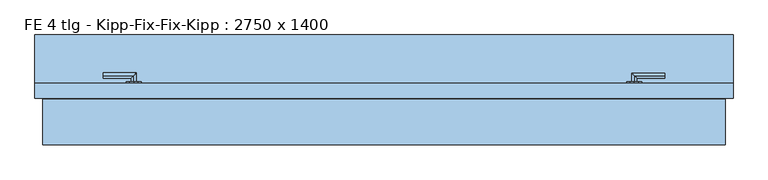
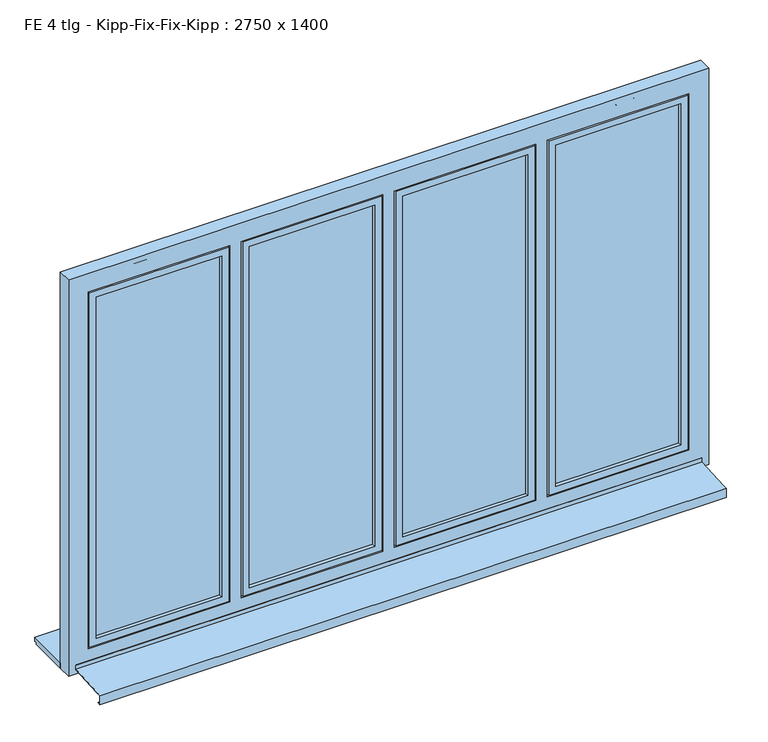
"""IFC4 building model written with IfcOpenShell, lengths in millimetres: window geometry, FE 4 tlg - Kipp-Fix-Fix-Kipp : 2750 x 1400."""

from ifc_helpers import new_model, si_unit, frame, origin, place, context, project, spatial, polyline, circle_curve, ellipse_curve, outline, extrude, faceted_brep, source, transform, mapped, element, save
from ifc_brep_helpers import plane_surface, cylinder_surface, advanced_brep


def fe_4_tlg_kipp_fix_fix_kipp_2750_x_1400_1be2bcf4(model_context):
    return source(origin(), model_context, "Body", "SolidModel", [
        faceted_brep([(597.5, -65.0, 2530.0), (597.5, -65.0, 980.0), (597.5, -125.0, 980.0), (597.5, -125.0, 2530.0), (627.5, -125.0, 950.0), (627.5, -125.0, 2560.0), (30.0, -125.0, 2560.0), (30.0, -125.0, 950.0), (60.0, -125.0, 980.0), (60.0, -125.0, 2530.0), (60.0, -65.0, 980.0), (667.5, -65.0, 2600.0), (667.5, -65.0, 910.0), (-10.0, -65.0, 910.0), (-10.0, -65.0, 2600.0), (60.0, -65.0, 2530.0), (667.5, -80.0, 2600.0), (667.5, -80.0, 910.0), (-10.0, -80.0, 910.0), (-10.0, -80.0, 2600.0), (652.5, -80.0, 2585.0), (652.5, -80.0, 925.0), (5.0, -80.0, 925.0), (5.0, -80.0, 2585.0), (652.5, -95.0, 2585.0), (652.5, -95.0, 925.0), (5.0, -95.0, 925.0), (5.0, -95.0, 2585.0), (642.5, -95.0, 2575.0), (642.5, -95.0, 935.0), (15.0, -95.0, 935.0), (15.0, -95.0, 2575.0), (642.5, -110.0, 2575.0), (642.5, -110.0, 935.0), (15.0, -110.0, 935.0), (15.0, -110.0, 2575.0), (627.5, -110.0, 2560.0), (627.5, -110.0, 950.0), (30.0, -110.0, 950.0), (30.0, -110.0, 2560.0)], [[[0, 1, 2, 3]], [[4, 5, 6, 7], [3, 2, 8, 9]], [[1, 10, 8, 2]], [[11, 12, 13, 14], [1, 0, 15, 10]], [[16, 17, 12, 11]], [[17, 18, 13, 12]], [[17, 16, 19, 18], [20, 21, 22, 23]], [[24, 25, 21, 20]], [[25, 26, 22, 21]], [[25, 24, 27, 26], [28, 29, 30, 31]], [[32, 33, 29, 28]], [[33, 34, 30, 29]], [[33, 32, 35, 34], [36, 37, 38, 39]], [[5, 4, 37, 36]], [[4, 7, 38, 37]], [[10, 15, 9, 8]], [[18, 19, 14, 13]], [[26, 27, 23, 22]], [[34, 35, 31, 30]], [[7, 6, 39, 38]], [[15, 0, 3, 9]], [[19, 16, 11, 14]], [[27, 24, 20, 23]], [[35, 32, 28, 31]], [[6, 5, 36, 39]]]),
        extrude(outline(polyline([(597.5, -110.0), (60.0, -110.0), (60.0, -66.0), (597.5, -66.0), (597.5, -110.0)])), frame((0.0, 0.0, 980.0), z_axis=(0.0, 0.0, 1.0), x_axis=(1.0, 0.0, 0.0)), (0.0, 0.0, 1.0), 1550.0),
        advanced_brep(
        [(968.75, -65.0, 2577.5), (968.75, -65.0, 2552.5), (986.25, -65.0, 2552.5), (1003.75, -65.0, 2552.5), (1003.75, -65.0, 2577.5), (986.25, -65.0, 2577.5), (986.25, -35.0, 2555.0), (986.25, -59.0, 2555.0), (986.25, -59.0, 2575.0), (986.25, -35.0, 2575.0), (1106.25, -35.0, 2555.0), (1106.25, -35.0, 2575.0), (968.75, -59.0, 2577.5), (986.25, -59.0, 2577.5), (1003.75, -59.0, 2577.5), (1003.75, -59.0, 2552.5), (986.25, -59.0, 2552.5), (968.75, -59.0, 2552.5)],
        [
            (0, 1, circle_curve(frame((968.75, -65.0, 2565.0), z_axis=(0.0, -1.0, 0.0), x_axis=(0.0, 0.0, 1.0)), 12.5)),
            (1, 2),
            (2, 3),
            (3, 4, circle_curve(frame((1003.75, -65.0, 2565.0), z_axis=(0.0, -1.0, 0.0), x_axis=(0.0, 0.0, 1.0)), 12.5)),
            (4, 5),
            (5, 0),
            (6, 7),
            (7, 8, circle_curve(frame((986.25, -59.0, 2565.0), z_axis=(0.0, 1.0, 0.0), x_axis=(0.0, 0.0, 1.0)), 10.0)),
            (8, 9),
            (9, 6, ellipse_curve(frame((986.25, -35.0, 2565.0), z_axis=(-0.7071067811865475, -0.7071067811865475, 0.0), x_axis=(0.7071067811865474, -0.7071067811865476, 0.0)), 14.1421356, 10.0)),
            (8, 7, circle_curve(frame((986.25, -59.0, 2565.0), z_axis=(0.0, 1.0, 0.0), x_axis=(0.0, 0.0, 1.0)), 10.0)),
            (6, 9, ellipse_curve(frame((986.25, -35.0, 2565.0), z_axis=(-0.7071067811865475, -0.7071067811865475, 0.0), x_axis=(0.7071067811865474, -0.7071067811865476, 0.0)), 14.1421356, 10.0)),
            (10, 11, circle_curve(frame((1106.25, -35.0, 2565.0), z_axis=(1.0, 0.0, 0.0), x_axis=(0.0, 0.0, 1.0)), 10.0)),
            (11, 10, circle_curve(frame((1106.25, -35.0, 2565.0), z_axis=(1.0, 0.0, 0.0), x_axis=(0.0, 0.0, 1.0)), 10.0)),
            (9, 11),
            (10, 6),
            (12, 13),
            (13, 14),
            (14, 15, circle_curve(frame((1003.75, -59.0, 2565.0), z_axis=(0.0, 1.0, 0.0), x_axis=(0.0, 0.0, 1.0)), 12.5)),
            (15, 16),
            (16, 17),
            (17, 12, circle_curve(frame((968.75, -59.0, 2565.0), z_axis=(0.0, 1.0, 0.0), x_axis=(0.0, 0.0, 1.0)), 12.5)),
            (17, 1),
            (0, 12),
            (16, 2),
            (15, 3),
            (14, 4),
            (13, 5),
        ],
        [
            plane_surface(frame((986.25, -65.0, 2565.0), z_axis=(0.0, -1.0, 0.0), x_axis=(0.0, 0.0, 1.0))),
            cylinder_surface(frame((986.25, -65.0, 2565.0), z_axis=(0.0, -1.0, 0.0), x_axis=(0.0, 0.0, 1.0)), 10.0),
            plane_surface(frame((1106.25, -35.0, 2565.0), z_axis=(1.0, 0.0, 0.0), x_axis=(0.0, 0.0, 1.0))),
            cylinder_surface(frame((986.25, -35.0, 2565.0), z_axis=(-1.0, 0.0, 0.0), x_axis=(0.0, 0.0, 1.0)), 10.0),
            plane_surface(frame((968.75, -59.0, 2577.5), z_axis=(0.0, 1.0, 0.0), x_axis=(-1.0, 0.0, 0.0))),
            cylinder_surface(frame((968.75, -65.0, 2565.0), z_axis=(0.0, 1.0, 0.0), x_axis=(0.0, 0.0, 1.0)), 12.5),
            plane_surface(frame((968.75, -59.0, 2552.5), z_axis=(0.0, 0.0, -1.0), x_axis=(0.0, -1.0, 0.0))),
            plane_surface(frame((986.25, -59.0, 2552.5), z_axis=(0.0, 0.0, -1.0), x_axis=(0.0, -1.0, 0.0))),
            cylinder_surface(frame((1003.75, -65.0, 2565.0), z_axis=(0.0, 1.0, 0.0), x_axis=(0.0, 0.0, 1.0)), 12.5),
            plane_surface(frame((1003.75, -59.0, 2577.5), z_axis=(0.0, 0.0, 1.0), x_axis=(0.0, -1.0, 0.0))),
            plane_surface(frame((986.25, -59.0, 2577.5), z_axis=(0.0, 0.0, 1.0), x_axis=(0.0, -1.0, 0.0))),
        ],
        [
            (0, [[1, 2, 3, 4, 5, 6]]),
            (1, [[7, 8, 9, 10]]),
            (1, [[-9, 11, -7, 12]]),
            (2, [[13, 14]]),
            (3, [[15, -13, 16, -10]]),
            (3, [[-16, -14, -15, -12]]),
            (4, [[17, 18, 19, 20, 21, 22], [-11, -8]]),
            (5, [[23, -1, 24, -22]]),
            (6, [[25, -2, -23, -21]]),
            (7, [[26, -3, -25, -20]]),
            (8, [[27, -4, -26, -19]]),
            (9, [[28, -5, -27, -18]]),
            (10, [[-24, -6, -28, -17]]),
        ],
    ),
        faceted_brep([(1255.0, -65.0, 2530.0), (1255.0, -65.0, 980.0), (1255.0, -125.0, 980.0), (1255.0, -125.0, 2530.0), (1285.0, -125.0, 950.0), (1285.0, -125.0, 2560.0), (687.5, -125.0, 2560.0), (687.5, -125.0, 950.0), (717.5, -125.0, 980.0), (717.5, -125.0, 2530.0), (717.5, -65.0, 980.0), (1325.0, -65.0, 2600.0), (1325.0, -65.0, 910.0), (647.5, -65.0, 910.0), (647.5, -65.0, 2600.0), (717.5, -65.0, 2530.0), (1325.0, -80.0, 2600.0), (1325.0, -80.0, 910.0), (647.5, -80.0, 910.0), (647.5, -80.0, 2600.0), (1310.0, -80.0, 2585.0), (1310.0, -80.0, 925.0), (662.5, -80.0, 925.0), (662.5, -80.0, 2585.0), (1310.0, -95.0, 2585.0), (1310.0, -95.0, 925.0), (662.5, -95.0, 925.0), (662.5, -95.0, 2585.0), (1300.0, -95.0, 2575.0), (1300.0, -95.0, 935.0), (672.5, -95.0, 935.0), (672.5, -95.0, 2575.0), (1300.0, -110.0, 2575.0), (1300.0, -110.0, 935.0), (672.5, -110.0, 935.0), (672.5, -110.0, 2575.0), (1285.0, -110.0, 2560.0), (1285.0, -110.0, 950.0), (687.5, -110.0, 950.0), (687.5, -110.0, 2560.0)], [[[0, 1, 2, 3]], [[4, 5, 6, 7], [3, 2, 8, 9]], [[1, 10, 8, 2]], [[11, 12, 13, 14], [1, 0, 15, 10]], [[16, 17, 12, 11]], [[17, 18, 13, 12]], [[17, 16, 19, 18], [20, 21, 22, 23]], [[24, 25, 21, 20]], [[25, 26, 22, 21]], [[25, 24, 27, 26], [28, 29, 30, 31]], [[32, 33, 29, 28]], [[33, 34, 30, 29]], [[33, 32, 35, 34], [36, 37, 38, 39]], [[5, 4, 37, 36]], [[4, 7, 38, 37]], [[10, 15, 9, 8]], [[18, 19, 14, 13]], [[26, 27, 23, 22]], [[34, 35, 31, 30]], [[7, 6, 39, 38]], [[15, 0, 3, 9]], [[19, 16, 11, 14]], [[27, 24, 20, 23]], [[35, 32, 28, 31]], [[6, 5, 36, 39]]]),
        extrude(outline(polyline([(1255.0, -110.0), (717.5, -110.0), (717.5, -66.0), (1255.0, -66.0), (1255.0, -110.0)])), frame((0.0, 0.0, 980.0), z_axis=(0.0, 0.0, 1.0), x_axis=(1.0, 0.0, 0.0)), (0.0, 0.0, 1.0), 1550.0),
        faceted_brep([(-60.0, -65.0, 2530.0), (-60.0, -65.0, 980.0), (-60.0, -125.0, 980.0), (-60.0, -125.0, 2530.0), (-30.0, -125.0, 950.0), (-30.0, -125.0, 2560.0), (-627.5, -125.0, 2560.0), (-627.5, -125.0, 950.0), (-597.5, -125.0, 980.0), (-597.5, -125.0, 2530.0), (-597.5, -65.0, 980.0), (10.0, -65.0, 2600.0), (10.0, -65.0, 910.0), (-667.5, -65.0, 910.0), (-667.5, -65.0, 2600.0), (-597.5, -65.0, 2530.0), (10.0, -80.0, 2600.0), (10.0, -80.0, 910.0), (-667.5, -80.0, 910.0), (-667.5, -80.0, 2600.0), (-5.0, -80.0, 2585.0), (-5.0, -80.0, 925.0), (-652.5, -80.0, 925.0), (-652.5, -80.0, 2585.0), (-5.0, -95.0, 2585.0), (-5.0, -95.0, 925.0), (-652.5, -95.0, 925.0), (-652.5, -95.0, 2585.0), (-15.0, -95.0, 2575.0), (-15.0, -95.0, 935.0), (-642.5, -95.0, 935.0), (-642.5, -95.0, 2575.0), (-15.0, -110.0, 2575.0), (-15.0, -110.0, 935.0), (-642.5, -110.0, 935.0), (-642.5, -110.0, 2575.0), (-30.0, -110.0, 2560.0), (-30.0, -110.0, 950.0), (-627.5, -110.0, 950.0), (-627.5, -110.0, 2560.0)], [[[0, 1, 2, 3]], [[4, 5, 6, 7], [3, 2, 8, 9]], [[1, 10, 8, 2]], [[11, 12, 13, 14], [1, 0, 15, 10]], [[16, 17, 12, 11]], [[17, 18, 13, 12]], [[17, 16, 19, 18], [20, 21, 22, 23]], [[24, 25, 21, 20]], [[25, 26, 22, 21]], [[25, 24, 27, 26], [28, 29, 30, 31]], [[32, 33, 29, 28]], [[33, 34, 30, 29]], [[33, 32, 35, 34], [36, 37, 38, 39]], [[5, 4, 37, 36]], [[4, 7, 38, 37]], [[10, 15, 9, 8]], [[18, 19, 14, 13]], [[26, 27, 23, 22]], [[34, 35, 31, 30]], [[7, 6, 39, 38]], [[15, 0, 3, 9]], [[19, 16, 11, 14]], [[27, 24, 20, 23]], [[35, 32, 28, 31]], [[6, 5, 36, 39]]]),
        extrude(outline(polyline([(-60.0, -110.0), (-597.5, -110.0), (-597.5, -66.0), (-60.0, -66.0), (-60.0, -110.0)])), frame((0.0, 0.0, 980.0), z_axis=(0.0, 0.0, 1.0), x_axis=(1.0, 0.0, 0.0)), (0.0, 0.0, 1.0), 1550.0),
        faceted_brep([(-1345.0, -307.0, 860.6252434), (1345.0, -307.0, 860.6252434), (1345.0, -285.0, 862.0002434), (1345.0, -127.0, 871.8752434), (-1345.0, -127.0, 871.8752434), (-1345.0, -285.0, 862.0002434), (-1345.0, -307.0, 820.6252434), (1345.0, -307.0, 820.6252434), (-1345.0, -295.0, 820.6252434), (1345.0, -295.0, 820.6252434), (-1345.0, -295.0, 822.6252434), (1345.0, -295.0, 822.6252434), (-1345.0, -305.0, 822.6252434), (1345.0, -305.0, 822.6252434), (-1345.0, -305.0, 858.75), (1345.0, -305.0, 858.75), (-1345.0, -285.0, 860.0), (-1345.0, -125.0, 870.0), (1345.0, -125.0, 870.0), (1345.0, -285.0, 860.0), (-1345.0, -125.0, 890.0), (1345.0, -125.0, 890.0), (-1345.0, -127.0, 890.0), (1345.0, -127.0, 890.0)], [[[0, 1, 2, 3, 4, 5]], [[6, 7, 1, 0]], [[8, 9, 7, 6]], [[10, 11, 9, 8]], [[12, 13, 11, 10]], [[14, 15, 13, 12]], [[16, 17, 18, 19, 15, 14]], [[20, 21, 18, 17]], [[22, 23, 21, 20]], [[4, 3, 23, 22]], [[16, 14, 12, 10, 8, 6, 0, 5]], [[19, 18, 21, 23, 3, 2]], [[5, 4, 22, 20, 17, 16]], [[2, 1, 7, 9, 11, 13, 15, 19]]]),
        advanced_brep(
        [(-968.75, -65.0, 2577.5), (-986.25, -65.0, 2577.5), (-1003.75, -65.0, 2577.5), (-1003.75, -65.0, 2552.5), (-986.25, -65.0, 2552.5), (-968.75, -65.0, 2552.5), (-986.25, -35.0, 2555.0), (-986.25, -35.0, 2575.0), (-986.25, -59.0, 2575.0), (-986.25, -59.0, 2555.0), (-1106.25, -35.0, 2555.0), (-1106.25, -35.0, 2575.0), (-968.75, -59.0, 2577.5), (-968.75, -59.0, 2552.5), (-986.25, -59.0, 2552.5), (-1003.75, -59.0, 2552.5), (-1003.75, -59.0, 2577.5), (-986.25, -59.0, 2577.5)],
        [
            (0, 1),
            (1, 2),
            (2, 3, circle_curve(frame((-1003.75, -65.0, 2565.0), z_axis=(0.0, -1.0, 0.0), x_axis=(0.0, 0.0, 1.0)), 12.5)),
            (3, 4),
            (4, 5),
            (5, 0, circle_curve(frame((-968.75, -65.0, 2565.0), z_axis=(0.0, -1.0, 0.0), x_axis=(0.0, 0.0, 1.0)), 12.5)),
            (6, 7, ellipse_curve(frame((-986.25, -35.0, 2565.0), z_axis=(0.7071067811865475, -0.7071067811865475, 0.0), x_axis=(-0.7071067811865474, -0.7071067811865476, 0.0)), 14.1421356, 10.0)),
            (7, 8),
            (8, 9, circle_curve(frame((-986.25, -59.0, 2565.0), z_axis=(0.0, 1.0, 0.0), x_axis=(0.0, 0.0, 1.0)), 10.0)),
            (9, 6),
            (7, 6, ellipse_curve(frame((-986.25, -35.0, 2565.0), z_axis=(0.7071067811865475, -0.7071067811865475, 0.0), x_axis=(-0.7071067811865474, -0.7071067811865476, 0.0)), 14.1421356, 10.0)),
            (9, 8, circle_curve(frame((-986.25, -59.0, 2565.0), z_axis=(0.0, 1.0, 0.0), x_axis=(0.0, 0.0, 1.0)), 10.0)),
            (10, 11, circle_curve(frame((-1106.25, -35.0, 2565.0), z_axis=(-1.0, 0.0, 0.0), x_axis=(0.0, 0.0, 1.0)), 10.0)),
            (11, 10, circle_curve(frame((-1106.25, -35.0, 2565.0), z_axis=(-1.0, 0.0, 0.0), x_axis=(0.0, 0.0, 1.0)), 10.0)),
            (6, 10),
            (11, 7),
            (12, 13, circle_curve(frame((-968.75, -59.0, 2565.0), z_axis=(0.0, 1.0, 0.0), x_axis=(0.0, 0.0, 1.0)), 12.5)),
            (13, 14),
            (14, 15),
            (15, 16, circle_curve(frame((-1003.75, -59.0, 2565.0), z_axis=(0.0, 1.0, 0.0), x_axis=(0.0, 0.0, 1.0)), 12.5)),
            (16, 17),
            (17, 12),
            (12, 0),
            (5, 13),
            (4, 14),
            (3, 15),
            (2, 16),
            (1, 17),
        ],
        [
            plane_surface(frame((-986.25, -65.0, 2565.0), z_axis=(0.0, -1.0, 0.0), x_axis=(0.0, 0.0, 1.0))),
            cylinder_surface(frame((-986.25, -65.0, 2565.0), z_axis=(0.0, -1.0, 0.0), x_axis=(0.0, 0.0, 1.0)), 10.0),
            plane_surface(frame((-1106.25, -35.0, 2565.0), z_axis=(-1.0, 0.0, 0.0), x_axis=(0.0, 0.0, 1.0))),
            cylinder_surface(frame((-986.25, -35.0, 2565.0), z_axis=(1.0, 0.0, 0.0), x_axis=(0.0, 0.0, 1.0)), 10.0),
            plane_surface(frame((-968.75, -59.0, 2577.5), z_axis=(0.0, 1.0, 0.0), x_axis=(1.0, 0.0, 0.0))),
            cylinder_surface(frame((-968.75, -65.0, 2565.0), z_axis=(0.0, 1.0, 0.0), x_axis=(0.0, 0.0, 1.0)), 12.5),
            plane_surface(frame((-968.75, -59.0, 2552.5), z_axis=(0.0, 0.0, -1.0), x_axis=(0.0, -1.0, 0.0))),
            plane_surface(frame((-986.25, -59.0, 2552.5), z_axis=(0.0, 0.0, -1.0), x_axis=(0.0, -1.0, 0.0))),
            cylinder_surface(frame((-1003.75, -65.0, 2565.0), z_axis=(0.0, 1.0, 0.0), x_axis=(0.0, 0.0, 1.0)), 12.5),
            plane_surface(frame((-1003.75, -59.0, 2577.5), z_axis=(0.0, 0.0, 1.0), x_axis=(0.0, -1.0, 0.0))),
            plane_surface(frame((-986.25, -59.0, 2577.5), z_axis=(0.0, 0.0, 1.0), x_axis=(0.0, -1.0, 0.0))),
        ],
        [
            (0, [[1, 2, 3, 4, 5, 6]]),
            (1, [[7, 8, 9, 10]]),
            (1, [[11, -10, 12, -8]]),
            (2, [[13, 14]]),
            (3, [[-7, 15, -14, 16]]),
            (3, [[-11, -16, -13, -15]]),
            (4, [[17, 18, 19, 20, 21, 22], [-9, -12]]),
            (5, [[-17, 23, -6, 24]]),
            (6, [[-18, -24, -5, 25]]),
            (7, [[-19, -25, -4, 26]]),
            (8, [[-20, -26, -3, 27]]),
            (9, [[-21, -27, -2, 28]]),
            (10, [[-22, -28, -1, -23]]),
        ],
    ),
        faceted_brep([(-1255.0, -65.0, 2530.0), (-1255.0, -125.0, 2530.0), (-1255.0, -125.0, 980.0), (-1255.0, -65.0, 980.0), (-1285.0, -125.0, 950.0), (-687.5, -125.0, 950.0), (-687.5, -125.0, 2560.0), (-1285.0, -125.0, 2560.0), (-717.5, -125.0, 2530.0), (-717.5, -125.0, 980.0), (-717.5, -65.0, 980.0), (-1325.0, -65.0, 2600.0), (-647.5, -65.0, 2600.0), (-647.5, -65.0, 910.0), (-1325.0, -65.0, 910.0), (-717.5, -65.0, 2530.0), (-1325.0, -80.0, 2600.0), (-1325.0, -80.0, 910.0), (-647.5, -80.0, 910.0), (-647.5, -80.0, 2600.0), (-1310.0, -80.0, 2585.0), (-662.5, -80.0, 2585.0), (-662.5, -80.0, 925.0), (-1310.0, -80.0, 925.0), (-1310.0, -95.0, 2585.0), (-1310.0, -95.0, 925.0), (-662.5, -95.0, 925.0), (-662.5, -95.0, 2585.0), (-1300.0, -95.0, 2575.0), (-672.5, -95.0, 2575.0), (-672.5, -95.0, 935.0), (-1300.0, -95.0, 935.0), (-1300.0, -110.0, 2575.0), (-1300.0, -110.0, 935.0), (-672.5, -110.0, 935.0), (-672.5, -110.0, 2575.0), (-1285.0, -110.0, 2560.0), (-687.5, -110.0, 2560.0), (-687.5, -110.0, 950.0), (-1285.0, -110.0, 950.0)], [[[0, 1, 2, 3]], [[4, 5, 6, 7], [1, 8, 9, 2]], [[3, 2, 9, 10]], [[11, 12, 13, 14], [3, 10, 15, 0]], [[16, 11, 14, 17]], [[17, 14, 13, 18]], [[17, 18, 19, 16], [20, 21, 22, 23]], [[24, 20, 23, 25]], [[25, 23, 22, 26]], [[25, 26, 27, 24], [28, 29, 30, 31]], [[32, 28, 31, 33]], [[33, 31, 30, 34]], [[33, 34, 35, 32], [36, 37, 38, 39]], [[7, 36, 39, 4]], [[4, 39, 38, 5]], [[10, 9, 8, 15]], [[18, 13, 12, 19]], [[26, 22, 21, 27]], [[34, 30, 29, 35]], [[5, 38, 37, 6]], [[15, 8, 1, 0]], [[19, 12, 11, 16]], [[27, 21, 20, 24]], [[35, 29, 28, 32]], [[6, 37, 36, 7]]]),
        extrude(outline(polyline([(-1255.0, -110.0), (-1255.0, -66.0), (-717.5, -66.0), (-717.5, -110.0), (-1255.0, -110.0)])), frame((0.0, 0.0, 980.0), z_axis=(0.0, 0.0, 1.0), x_axis=(1.0, 0.0, 0.0)), (0.0, 0.0, 1.0), 1550.0),
        faceted_brep([(1375.0, -125.0, 850.0), (-1375.0, -125.0, 850.0), (-1375.0, -65.0, 850.0), (1375.0, -65.0, 850.0), (1375.0, -125.0, 2650.0), (1375.0, -65.0, 2650.0), (-1375.0, -65.0, 2650.0), (1330.0, -65.0, 905.0), (1330.0, -65.0, 2605.0), (-1330.0, -65.0, 2605.0), (-1330.0, -65.0, 905.0), (-1375.0, -125.0, 2650.0), (-682.5, -125.0, 945.0), (-1290.0, -125.0, 945.0), (-1290.0, -125.0, 2565.0), (-682.5, -125.0, 2565.0), (-25.0, -125.0, 945.0), (-632.5, -125.0, 945.0), (-632.5, -125.0, 2565.0), (-25.0, -125.0, 2565.0), (632.5, -125.0, 945.0), (25.0, -125.0, 945.0), (25.0, -125.0, 2565.0), (632.5, -125.0, 2565.0), (1290.0, -125.0, 945.0), (682.5, -125.0, 945.0), (682.5, -125.0, 2565.0), (1290.0, -125.0, 2565.0), (-682.5, -110.0, 2565.0), (-682.5, -110.0, 945.0), (-1290.0, -110.0, 945.0), (-1290.0, -110.0, 2565.0), (-25.0, -110.0, 2565.0), (-25.0, -110.0, 945.0), (-632.5, -110.0, 945.0), (-632.5, -110.0, 2565.0), (632.5, -110.0, 2565.0), (632.5, -110.0, 945.0), (25.0, -110.0, 945.0), (25.0, -110.0, 2565.0), (1290.0, -110.0, 2565.0), (1290.0, -110.0, 945.0), (682.5, -110.0, 945.0), (682.5, -110.0, 2565.0), (-1330.0, -80.0, 905.0), (1330.0, -80.0, 905.0), (-1330.0, -80.0, 2605.0), (1330.0, -80.0, 2605.0), (1315.0, -80.0, 2590.0), (-1315.0, -80.0, 2590.0), (-1315.0, -80.0, 920.0), (1315.0, -80.0, 920.0), (1315.0, -95.0, 2590.0), (1315.0, -95.0, 920.0), (-1315.0, -95.0, 920.0), (-1315.0, -95.0, 2590.0), (-667.5, -95.0, 2580.0), (-1305.0, -95.0, 2580.0), (-1305.0, -95.0, 930.0), (-667.5, -95.0, 930.0), (-10.0, -95.0, 2580.0), (-647.5, -95.0, 2580.0), (-647.5, -95.0, 930.0), (-10.0, -95.0, 930.0), (647.5, -95.0, 2580.0), (10.0, -95.0, 2580.0), (10.0, -95.0, 930.0), (647.5, -95.0, 930.0), (1305.0, -95.0, 2580.0), (667.5, -95.0, 2580.0), (667.5, -95.0, 930.0), (1305.0, -95.0, 930.0), (-667.5, -110.0, 930.0), (-1305.0, -110.0, 930.0), (-1305.0, -110.0, 2580.0), (-667.5, -110.0, 2580.0), (-10.0, -110.0, 930.0), (-647.5, -110.0, 930.0), (-647.5, -110.0, 2580.0), (-10.0, -110.0, 2580.0), (647.5, -110.0, 930.0), (10.0, -110.0, 930.0), (10.0, -110.0, 2580.0), (647.5, -110.0, 2580.0), (1305.0, -110.0, 930.0), (667.5, -110.0, 930.0), (667.5, -110.0, 2580.0), (1305.0, -110.0, 2580.0)], [[[0, 1, 2, 3]], [[4, 0, 3, 5]], [[5, 3, 2, 6], [7, 8, 9, 10]], [[6, 2, 1, 11]], [[11, 1, 0, 4], [12, 13, 14, 15], [16, 17, 18, 19], [20, 21, 22, 23], [24, 25, 26, 27]], [[12, 15, 28, 29]], [[30, 31, 14, 13]], [[29, 30, 13, 12]], [[16, 19, 32, 33]], [[34, 35, 18, 17]], [[33, 34, 17, 16]], [[20, 23, 36, 37]], [[38, 39, 22, 21]], [[37, 38, 21, 20]], [[24, 27, 40, 41]], [[42, 43, 26, 25]], [[41, 42, 25, 24]], [[44, 45, 7, 10]], [[10, 9, 46, 44]], [[47, 8, 7, 45]], [[47, 45, 44, 46], [48, 49, 50, 51]], [[52, 53, 54, 55], [56, 57, 58, 59], [60, 61, 62, 63], [64, 65, 66, 67], [68, 69, 70, 71]], [[54, 53, 51, 50]], [[72, 73, 74, 75], [28, 31, 30, 29]], [[75, 56, 59, 72]], [[59, 58, 73, 72]], [[50, 49, 55, 54]], [[58, 57, 74, 73]], [[76, 77, 78, 79], [32, 35, 34, 33]], [[79, 60, 63, 76]], [[63, 62, 77, 76]], [[62, 61, 78, 77]], [[80, 81, 82, 83], [36, 39, 38, 37]], [[83, 64, 67, 80]], [[67, 66, 81, 80]], [[66, 65, 82, 81]], [[52, 48, 51, 53]], [[84, 85, 86, 87], [40, 43, 42, 41]], [[87, 68, 71, 84]], [[71, 70, 85, 84]], [[70, 69, 86, 85]], [[4, 5, 6, 11]], [[9, 8, 47, 46]], [[48, 52, 55, 49]], [[75, 74, 57, 56]], [[15, 14, 31, 28]], [[79, 78, 61, 60]], [[19, 18, 35, 32]], [[83, 82, 65, 64]], [[23, 22, 39, 36]], [[87, 86, 69, 68]], [[27, 26, 43, 40]]]),
        extrude(outline(polyline([(125.0, 875.0), (125.0, 857.0), (115.0, 857.0), (115.0, 850.0), (-65.0, 850.0), (-65.0, 875.0), (125.0, 875.0)])), frame((-1375.0, 0.0, 0.0), z_axis=(1.0, 0.0, 0.0), x_axis=(0.0, 1.0, 0.0)), (0.0, 0.0, 1.0), 2750.0),
    ])


if __name__ == "__main__":
    model = new_model("IFC4")
    model_context = context("Model", 3, world=origin())
    ifc_project = project(units=[si_unit("LENGTHUNIT", "METRE", prefix="MILLI")], contexts=[model_context])
    site = spatial("IfcSite", under=ifc_project)
    building = spatial("IfcBuilding", under=site)
    placement = place(None, origin())
    fe_4_tlg_kipp_fix_fix_kipp_2750_x_1400_shape = fe_4_tlg_kipp_fix_fix_kipp_2750_x_1400_1be2bcf4(model_context)
    element("IfcWindow", 1, ObjectType="FE 4 tlg - Kipp-Fix-Fix-Kipp : 2750 x 1400", at=placement, inside=building, context=model_context, shape_type="MappedRepresentation", body=[
        mapped(fe_4_tlg_kipp_fix_fix_kipp_2750_x_1400_shape, transform((0.0, 0.0, 0.0), x_axis=(1.0, 0.0, 0.0), y_axis=(0.0, 1.0, 0.0), z_axis=(0.0, 0.0, 1.0))),
    ])
    save(model, "model.ifc")
